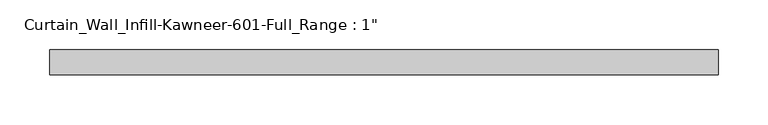
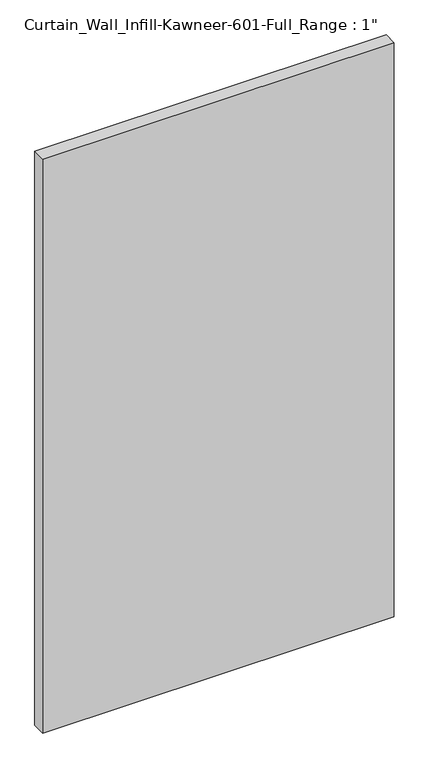
"""IFC4 building model written with IfcOpenShell, lengths in millimetres: plate geometry."""

from ifc_helpers import new_model, si_unit, origin, origin_with_axes, place, context, project, spatial, polyline, outline, extrude, source, transform, mapped, element, save


def plate_fdce175c(model_context):
    return source(origin(), model_context, "Body", "SweptSolid", [
        extrude(outline(polyline([(-336.8707065, -12.7), (-336.8707065, 12.7), (336.8707065, 12.7), (336.8707065, -12.7), (-336.8707065, -12.7)])), origin_with_axes(), (0.0, 0.0, 1.0), 1162.05),
    ])


if __name__ == "__main__":
    model = new_model("IFC4")
    model_context = context("Model", 3, world=origin())
    ifc_project = project(units=[si_unit("LENGTHUNIT", "METRE", prefix="MILLI")], contexts=[model_context])
    site = spatial("IfcSite", under=ifc_project)
    building = spatial("IfcBuilding", under=site)
    placement = place(None, origin())
    plate_shape = plate_fdce175c(model_context)
    element("IfcPlate", 1, ObjectType="Curtain_Wall_Infill-Kawneer-601-Full_Range : 1\"", at=placement, inside=building, context=model_context, shape_type="MappedRepresentation", body=[
        mapped(plate_shape, transform((0.0, 0.0, 0.0), x_axis=(1.0, 0.0, 0.0), y_axis=(0.0, 1.0, 0.0), z_axis=(0.0, 0.0, 1.0))),
    ])
    save(model, "model.ifc")
